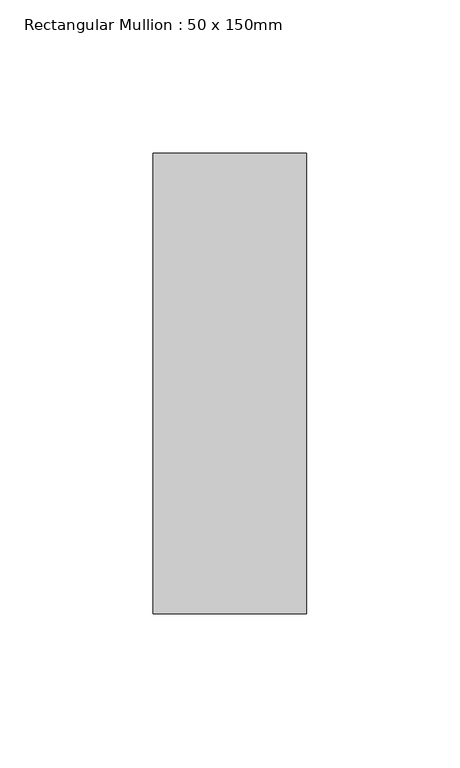
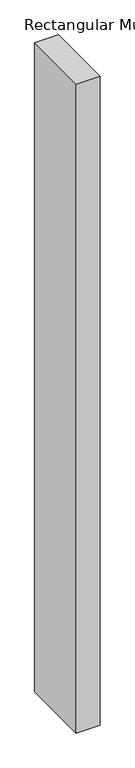
"""IFC4 building model written with IfcOpenShell, lengths in millimetres: member geometry, Rectangular Mullion : 50 x 150mm."""

import ifcopenshell
import ifcopenshell.guid

model = None  # the IFC model being written
_history = None  # IfcOwnerHistory: only IFC2X3 demands one
_inside = {}  # id of a spatial element -> (the spatial element, [elements in it])
_under = {}  # id of a project, library or spatial element -> (it, [spatial elements below it])
_declared = {}  # id of a project -> (the project, [libraries it declares])
_typed = {}  # id of a type object -> (the type object, [elements of that type])
_made_of = {}  # id of a material, layer set ... -> (it, [elements and type objects made of it])


def new_model(schema):
    """Start an empty IFC model of exactly this schema.

    Asked for "IFC4X3", IfcOpenShell would pick the latest addendum, in which some entities
    have other attributes; the version numbers below select the first issue.
    IFC2X3 requires an IfcOwnerHistory on every rooted entity: one is made here for all.
    """
    global model, _history
    if schema == "IFC4X3":
        model = ifcopenshell.file(schema_version=(4, 3, 0, 0))
    else:
        model = ifcopenshell.file(schema=schema)
    _inside.clear()
    _under.clear()
    _declared.clear()
    _typed.clear()
    _made_of.clear()
    _history = None
    if model.schema == "IFC2X3":
        org = make("IfcOrganization", Name="unknown")
        user = make(
            "IfcPersonAndOrganization",
            ThePerson=make("IfcPerson", FamilyName="unknown"),
            TheOrganization=org,
        )
        app = make(
            "IfcApplication",
            ApplicationDeveloper=org,
            Version="unknown",
            ApplicationFullName="unknown",
            ApplicationIdentifier="unknown",
        )
        _history = make(
            "IfcOwnerHistory",
            OwningUser=user,
            OwningApplication=app,
            ChangeAction="ADDED",
            CreationDate=0,
        )
    return model


def make(cls, **values):
    """One entity of the class cls with the attributes given. An attribute that is None is left unset."""
    return model.create_entity(
        cls, **{name: value for name, value in values.items() if value is not None}
    )


def rooted(cls, **values):
    """An entity with a GlobalId (a new one), such as an element, a storey or a relation."""
    return make(cls, GlobalId=ifcopenshell.guid.new(), OwnerHistory=_history, **values)


def si_unit(unit_type, name, prefix=None):
    """IfcSIUnit, for example si_unit("LENGTHUNIT", "METRE", prefix="MILLI")."""
    return make("IfcSIUnit", UnitType=unit_type, Prefix=prefix, Name=name)


def assignment(units):
    """IfcUnitAssignment: the units of a project."""
    return None if units is None else make("IfcUnitAssignment", Units=units)


def point(xyz):
    """IfcCartesianPoint."""
    return None if xyz is None else make("IfcCartesianPoint", Coordinates=xyz)


def direction(xyz):
    """IfcDirection."""
    return None if xyz is None else make("IfcDirection", DirectionRatios=xyz)


def frame(location, z_axis=None, x_axis=None):
    """IfcAxis2Placement3D, a coordinate frame: its origin and axes. An axis left out is left unset."""
    return make(
        "IfcAxis2Placement3D",
        Location=point(location),
        Axis=direction(z_axis),
        RefDirection=direction(x_axis),
    )


def origin():
    """The frame at (0, 0, 0) with its axes left unset."""
    return frame((0.0, 0.0, 0.0))


def place(relative_to, where):
    """IfcLocalPlacement: puts the frame where relative to a parent placement (None: the world)."""
    return make(
        "IfcLocalPlacement", PlacementRelTo=relative_to, RelativePlacement=where
    )


def context(
    kind, dimensions, precision=None, world=None, true_north=None, identifier=None
):
    """IfcGeometricRepresentationContext, for example the 3D "Model" context."""
    return make(
        "IfcGeometricRepresentationContext",
        ContextIdentifier=identifier,
        ContextType=kind,
        CoordinateSpaceDimension=dimensions,
        Precision=precision,
        WorldCoordinateSystem=world,
        TrueNorth=true_north,
    )


def project(units=None, contexts=None):
    """IfcProject with its units and contexts."""
    return rooted(
        "IfcProject",
        Name="project",
        RepresentationContexts=contexts,
        UnitsInContext=assignment(units),
    )


def spatial(cls, under=None, at=None, **own):
    """A site, building, storey or space (cls), placed at a placement, below another one or the project."""
    s = rooted(cls, ObjectPlacement=at, **own)
    if under is not None:
        _under.setdefault(under.id(), (under, []))[1].append(s)
    return s


def polyline(points):
    """IfcPolyline through the points."""
    return make("IfcPolyline", Points=[point(p) for p in points])


def outline(outer, holes=None, kind="AREA"):
    """IfcArbitraryClosedProfileDef: a profile drawn as a closed curve; with holes, ...WithVoids."""
    if holes is None:
        return make("IfcArbitraryClosedProfileDef", ProfileType=kind, OuterCurve=outer)
    return make(
        "IfcArbitraryProfileDefWithVoids",
        ProfileType=kind,
        OuterCurve=outer,
        InnerCurves=holes,
    )


def extrude(swept, where, along, depth):
    """IfcExtrudedAreaSolid: the profile swept, set in the frame where, extruded along a direction by depth."""
    return make(
        "IfcExtrudedAreaSolid",
        SweptArea=swept,
        Position=where,
        ExtrudedDirection=direction(along),
        Depth=depth,
    )


def shape(context_of_items, identifier, shape_type, items):
    """IfcShapeRepresentation: the items that make up one representation, for example the "Body"."""
    return make(
        "IfcShapeRepresentation",
        ContextOfItems=context_of_items,
        RepresentationIdentifier=identifier,
        RepresentationType=shape_type,
        Items=items,
    )


def source(mapping_origin, context_of_items, identifier, shape_type, items):
    """IfcRepresentationMap: a shape defined once, which mapped items show again and again."""
    return make(
        "IfcRepresentationMap",
        MappingOrigin=mapping_origin,
        MappedRepresentation=shape(context_of_items, identifier, shape_type, items),
    )


def transform(
    local_origin,
    x_axis=None,
    y_axis=None,
    z_axis=None,
    scale=None,
    scale2=None,
    scale3=None,
    uniform=True,
):
    """IfcCartesianTransformationOperator3D, or its non-uniform kind. x_axis, y_axis, z_axis: its Axis1, 2, 3."""
    if uniform:
        return make(
            "IfcCartesianTransformationOperator3D",
            Axis1=direction(x_axis),
            Axis2=direction(y_axis),
            LocalOrigin=point(local_origin),
            Scale=scale,
            Axis3=direction(z_axis),
        )
    return make(
        "IfcCartesianTransformationOperator3DnonUniform",
        Axis1=direction(x_axis),
        Axis2=direction(y_axis),
        LocalOrigin=point(local_origin),
        Scale=scale,
        Axis3=direction(z_axis),
        Scale2=scale2,
        Scale3=scale3,
    )


def mapped(mapping_source, mapping_target):
    """IfcMappedItem: shows the shape of a source again, moved by a transform."""
    return make(
        "IfcMappedItem", MappingSource=mapping_source, MappingTarget=mapping_target
    )


def made_of(thing, what):
    """Note that an element or type object is made of a material, layer set ...; save() writes the relation."""
    if what is not None:
        _made_of.setdefault(what.id(), (what, []))[1].append(thing)
    return thing


def element(
    cls,
    number,
    at=None,
    inside=None,
    cuts=None,
    type_object=None,
    material=None,
    context=None,
    identifier="Body",
    shape_type=None,
    held_by="IfcProductDefinitionShape",
    body=None,
    shapes=None,
    **own,
):
    """One element of the class cls, such as IfcWall. Its Tag is "e" and its number.

    at: its placement. inside: the storey or other place that contains it. cuts: it is an
    opening in that element (IfcRelVoidsElement). A single representation is given by context,
    identifier, shape_type and body (its items); several are given by shapes. held_by: the class
    of the entity that holds the representations. save() writes the other relations.
    """
    e = rooted(cls, Tag="e%d" % number, ObjectPlacement=at, **own)
    if body is not None:
        shapes = [shape(context, identifier, shape_type, body)]
    if shapes is not None:
        e.Representation = make(held_by, Representations=shapes)
    if inside is not None:
        _inside.setdefault(inside.id(), (inside, []))[1].append(e)
    if cuts is not None:
        rooted(
            "IfcRelVoidsElement", RelatingBuildingElement=cuts, RelatedOpeningElement=e
        )
    if type_object is not None:
        _typed.setdefault(type_object.id(), (type_object, []))[1].append(e)
    return made_of(e, material)


def aggregate(whole, parts):
    """IfcRelAggregates: a whole, such as a stair, and the parts it consists of."""
    return rooted("IfcRelAggregates", RelatingObject=whole, RelatedObjects=parts)


def save(model, path):
    """Write the relations noted so far, then the file.

    IfcRelAggregates (storeys below a building ...), IfcRelContainedInSpatialStructure (elements
    in a storey), IfcRelDefinesByType, IfcRelAssociatesMaterial and IfcRelDeclares: one each for
    every whole, place, type object, material and project.
    """
    for whole, parts in _under.values():
        aggregate(whole, parts)
    for where, things in _inside.values():
        rooted(
            "IfcRelContainedInSpatialStructure",
            RelatedElements=things,
            RelatingStructure=where,
        )
    for kind, things in _typed.values():
        rooted("IfcRelDefinesByType", RelatedObjects=things, RelatingType=kind)
    for what, things in _made_of.values():
        rooted("IfcRelAssociatesMaterial", RelatedObjects=things, RelatingMaterial=what)
    for by, libraries in _declared.values():
        rooted("IfcRelDeclares", RelatingContext=by, RelatedDefinitions=libraries)
    model.write(path)


def rectangular_mullion_50_x_150mm_e3e937d9(model_context):
    return source(origin(), model_context, "Body", "SweptSolid", [
        extrude(outline(polyline([(25.0, 75.0), (25.0, -75.0), (-25.0, -75.0), (-25.0, 75.0), (25.0, 75.0)])), frame((0.0, 0.0, -1431.7335987), z_axis=(0.0, 0.0, 1.0), x_axis=(1.0, 0.0, 0.0)), (0.0, 0.0, 1.0), 1431.7335987),
    ])


if __name__ == "__main__":
    model = new_model("IFC4")
    model_context = context("Model", 3, world=origin())
    ifc_project = project(units=[si_unit("LENGTHUNIT", "METRE", prefix="MILLI")], contexts=[model_context])
    site = spatial("IfcSite", under=ifc_project)
    building = spatial("IfcBuilding", under=site)
    placement = place(None, origin())
    rectangular_mullion_50_x_150mm_shape = rectangular_mullion_50_x_150mm_e3e937d9(model_context)
    element("IfcMember", 1, ObjectType="Rectangular Mullion : 50 x 150mm", at=placement, inside=building, context=model_context, shape_type="MappedRepresentation", body=[
        mapped(rectangular_mullion_50_x_150mm_shape, transform((0.0, 0.0, 0.0), x_axis=(1.0, 0.0, 0.0), y_axis=(0.0, 1.0, 0.0), z_axis=(0.0, 0.0, 1.0))),
    ])
    save(model, "model.ifc")
